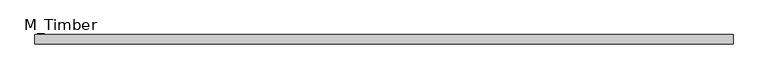
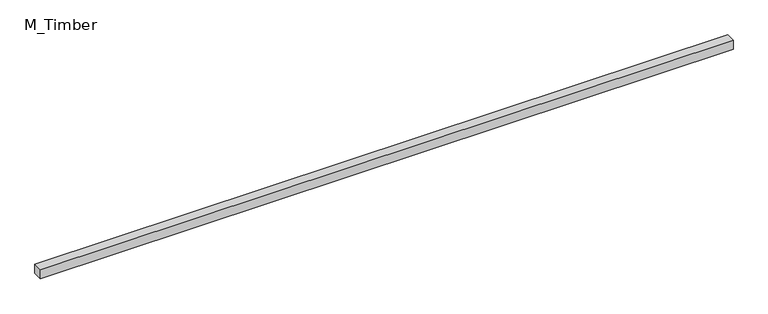
"""IFC4 building model written with IfcOpenShell, lengths in millimetres: beam geometry, M_Timber."""

import ifcopenshell
import ifcopenshell.guid

model = None  # the IFC model being written
_history = None  # IfcOwnerHistory: only IFC2X3 demands one
_inside = {}  # id of a spatial element -> (the spatial element, [elements in it])
_under = {}  # id of a project, library or spatial element -> (it, [spatial elements below it])
_declared = {}  # id of a project -> (the project, [libraries it declares])
_typed = {}  # id of a type object -> (the type object, [elements of that type])
_made_of = {}  # id of a material, layer set ... -> (it, [elements and type objects made of it])


def new_model(schema):
    """Start an empty IFC model of exactly this schema.

    Asked for "IFC4X3", IfcOpenShell would pick the latest addendum, in which some entities
    have other attributes; the version numbers below select the first issue.
    IFC2X3 requires an IfcOwnerHistory on every rooted entity: one is made here for all.
    """
    global model, _history
    if schema == "IFC4X3":
        model = ifcopenshell.file(schema_version=(4, 3, 0, 0))
    else:
        model = ifcopenshell.file(schema=schema)
    _inside.clear()
    _under.clear()
    _declared.clear()
    _typed.clear()
    _made_of.clear()
    _history = None
    if model.schema == "IFC2X3":
        org = make("IfcOrganization", Name="unknown")
        user = make(
            "IfcPersonAndOrganization",
            ThePerson=make("IfcPerson", FamilyName="unknown"),
            TheOrganization=org,
        )
        app = make(
            "IfcApplication",
            ApplicationDeveloper=org,
            Version="unknown",
            ApplicationFullName="unknown",
            ApplicationIdentifier="unknown",
        )
        _history = make(
            "IfcOwnerHistory",
            OwningUser=user,
            OwningApplication=app,
            ChangeAction="ADDED",
            CreationDate=0,
        )
    return model


def make(cls, **values):
    """One entity of the class cls with the attributes given. An attribute that is None is left unset."""
    return model.create_entity(
        cls, **{name: value for name, value in values.items() if value is not None}
    )


def rooted(cls, **values):
    """An entity with a GlobalId (a new one), such as an element, a storey or a relation."""
    return make(cls, GlobalId=ifcopenshell.guid.new(), OwnerHistory=_history, **values)


def si_unit(unit_type, name, prefix=None):
    """IfcSIUnit, for example si_unit("LENGTHUNIT", "METRE", prefix="MILLI")."""
    return make("IfcSIUnit", UnitType=unit_type, Prefix=prefix, Name=name)


def assignment(units):
    """IfcUnitAssignment: the units of a project."""
    return None if units is None else make("IfcUnitAssignment", Units=units)


def point(xyz):
    """IfcCartesianPoint."""
    return None if xyz is None else make("IfcCartesianPoint", Coordinates=xyz)


def direction(xyz):
    """IfcDirection."""
    return None if xyz is None else make("IfcDirection", DirectionRatios=xyz)


def frame(location, z_axis=None, x_axis=None):
    """IfcAxis2Placement3D, a coordinate frame: its origin and axes. An axis left out is left unset."""
    return make(
        "IfcAxis2Placement3D",
        Location=point(location),
        Axis=direction(z_axis),
        RefDirection=direction(x_axis),
    )


def origin():
    """The frame at (0, 0, 0) with its axes left unset."""
    return frame((0.0, 0.0, 0.0))


def place(relative_to, where):
    """IfcLocalPlacement: puts the frame where relative to a parent placement (None: the world)."""
    return make(
        "IfcLocalPlacement", PlacementRelTo=relative_to, RelativePlacement=where
    )


def context(
    kind, dimensions, precision=None, world=None, true_north=None, identifier=None
):
    """IfcGeometricRepresentationContext, for example the 3D "Model" context."""
    return make(
        "IfcGeometricRepresentationContext",
        ContextIdentifier=identifier,
        ContextType=kind,
        CoordinateSpaceDimension=dimensions,
        Precision=precision,
        WorldCoordinateSystem=world,
        TrueNorth=true_north,
    )


def project(units=None, contexts=None):
    """IfcProject with its units and contexts."""
    return rooted(
        "IfcProject",
        Name="project",
        RepresentationContexts=contexts,
        UnitsInContext=assignment(units),
    )


def spatial(cls, under=None, at=None, **own):
    """A site, building, storey or space (cls), placed at a placement, below another one or the project."""
    s = rooted(cls, ObjectPlacement=at, **own)
    if under is not None:
        _under.setdefault(under.id(), (under, []))[1].append(s)
    return s


def polyline(points):
    """IfcPolyline through the points."""
    return make("IfcPolyline", Points=[point(p) for p in points])


def outline(outer, holes=None, kind="AREA"):
    """IfcArbitraryClosedProfileDef: a profile drawn as a closed curve; with holes, ...WithVoids."""
    if holes is None:
        return make("IfcArbitraryClosedProfileDef", ProfileType=kind, OuterCurve=outer)
    return make(
        "IfcArbitraryProfileDefWithVoids",
        ProfileType=kind,
        OuterCurve=outer,
        InnerCurves=holes,
    )


def extrude(swept, where, along, depth):
    """IfcExtrudedAreaSolid: the profile swept, set in the frame where, extruded along a direction by depth."""
    return make(
        "IfcExtrudedAreaSolid",
        SweptArea=swept,
        Position=where,
        ExtrudedDirection=direction(along),
        Depth=depth,
    )


def shape(context_of_items, identifier, shape_type, items):
    """IfcShapeRepresentation: the items that make up one representation, for example the "Body"."""
    return make(
        "IfcShapeRepresentation",
        ContextOfItems=context_of_items,
        RepresentationIdentifier=identifier,
        RepresentationType=shape_type,
        Items=items,
    )


def source(mapping_origin, context_of_items, identifier, shape_type, items):
    """IfcRepresentationMap: a shape defined once, which mapped items show again and again."""
    return make(
        "IfcRepresentationMap",
        MappingOrigin=mapping_origin,
        MappedRepresentation=shape(context_of_items, identifier, shape_type, items),
    )


def transform(
    local_origin,
    x_axis=None,
    y_axis=None,
    z_axis=None,
    scale=None,
    scale2=None,
    scale3=None,
    uniform=True,
):
    """IfcCartesianTransformationOperator3D, or its non-uniform kind. x_axis, y_axis, z_axis: its Axis1, 2, 3."""
    if uniform:
        return make(
            "IfcCartesianTransformationOperator3D",
            Axis1=direction(x_axis),
            Axis2=direction(y_axis),
            LocalOrigin=point(local_origin),
            Scale=scale,
            Axis3=direction(z_axis),
        )
    return make(
        "IfcCartesianTransformationOperator3DnonUniform",
        Axis1=direction(x_axis),
        Axis2=direction(y_axis),
        LocalOrigin=point(local_origin),
        Scale=scale,
        Axis3=direction(z_axis),
        Scale2=scale2,
        Scale3=scale3,
    )


def mapped(mapping_source, mapping_target):
    """IfcMappedItem: shows the shape of a source again, moved by a transform."""
    return make(
        "IfcMappedItem", MappingSource=mapping_source, MappingTarget=mapping_target
    )


def made_of(thing, what):
    """Note that an element or type object is made of a material, layer set ...; save() writes the relation."""
    if what is not None:
        _made_of.setdefault(what.id(), (what, []))[1].append(thing)
    return thing


def element(
    cls,
    number,
    at=None,
    inside=None,
    cuts=None,
    type_object=None,
    material=None,
    context=None,
    identifier="Body",
    shape_type=None,
    held_by="IfcProductDefinitionShape",
    body=None,
    shapes=None,
    **own,
):
    """One element of the class cls, such as IfcWall. Its Tag is "e" and its number.

    at: its placement. inside: the storey or other place that contains it. cuts: it is an
    opening in that element (IfcRelVoidsElement). A single representation is given by context,
    identifier, shape_type and body (its items); several are given by shapes. held_by: the class
    of the entity that holds the representations. save() writes the other relations.
    """
    e = rooted(cls, Tag="e%d" % number, ObjectPlacement=at, **own)
    if body is not None:
        shapes = [shape(context, identifier, shape_type, body)]
    if shapes is not None:
        e.Representation = make(held_by, Representations=shapes)
    if inside is not None:
        _inside.setdefault(inside.id(), (inside, []))[1].append(e)
    if cuts is not None:
        rooted(
            "IfcRelVoidsElement", RelatingBuildingElement=cuts, RelatedOpeningElement=e
        )
    if type_object is not None:
        _typed.setdefault(type_object.id(), (type_object, []))[1].append(e)
    return made_of(e, material)


def aggregate(whole, parts):
    """IfcRelAggregates: a whole, such as a stair, and the parts it consists of."""
    return rooted("IfcRelAggregates", RelatingObject=whole, RelatedObjects=parts)


def save(model, path):
    """Write the relations noted so far, then the file.

    IfcRelAggregates (storeys below a building ...), IfcRelContainedInSpatialStructure (elements
    in a storey), IfcRelDefinesByType, IfcRelAssociatesMaterial and IfcRelDeclares: one each for
    every whole, place, type object, material and project.
    """
    for whole, parts in _under.values():
        aggregate(whole, parts)
    for where, things in _inside.values():
        rooted(
            "IfcRelContainedInSpatialStructure",
            RelatedElements=things,
            RelatingStructure=where,
        )
    for kind, things in _typed.values():
        rooted("IfcRelDefinesByType", RelatedObjects=things, RelatingType=kind)
    for what, things in _made_of.values():
        rooted("IfcRelAssociatesMaterial", RelatedObjects=things, RelatingMaterial=what)
    for by, libraries in _declared.values():
        rooted("IfcRelDeclares", RelatingContext=by, RelatedDefinitions=libraries)
    model.write(path)


def m_timber_89160e4a(model_context):
    return source(origin(), model_context, "Body", "SweptSolid", [
        extrude(outline(polyline([(1465.6966649, 20.0), (1465.6966649, -20.0), (-1465.6966649, -20.0), (-1465.6966649, 20.0), (1465.6966649, 20.0)])), frame((0.0, 0.0, -20.0), z_axis=(0.0, 0.0, 1.0), x_axis=(1.0, 0.0, 0.0)), (0.0, 0.0, 1.0), 40.0),
    ])


if __name__ == "__main__":
    model = new_model("IFC4")
    model_context = context("Model", 3, world=origin())
    ifc_project = project(units=[si_unit("LENGTHUNIT", "METRE", prefix="MILLI")], contexts=[model_context])
    site = spatial("IfcSite", under=ifc_project)
    building = spatial("IfcBuilding", under=site)
    placement = place(None, origin())
    m_timber_shape = m_timber_89160e4a(model_context)
    element("IfcBeam", 1, ObjectType="M_Timber", at=placement, inside=building, context=model_context, shape_type="MappedRepresentation", body=[
        mapped(m_timber_shape, transform((0.0, 0.0, 0.0), x_axis=(1.0, 0.0, 0.0), y_axis=(0.0, 1.0, 0.0), z_axis=(0.0, 0.0, 1.0))),
    ])
    save(model, "model.ifc")
